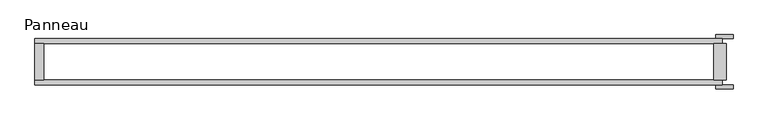
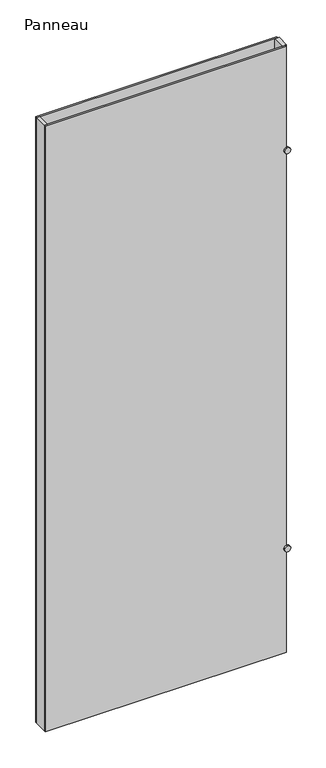
"""IFC4 building model written with IfcOpenShell, lengths in millimetres: plate geometry, Panneau."""

from ifc_helpers import new_model, si_unit, point, frame, frame_2d, origin, origin_with_axes, place, context, project, spatial, polyline, circle_curve, trimmed, segment, composite_curve, outline, extrude, source, transform, mapped, element, save


def panneau_065546e6(model_context):
    return source(origin(), model_context, "Body", "SweptSolid", [
        extrude(outline(composite_curve([segment(trimmed(circle_curve(frame_2d((500.0, 548.1250001)), 14.0), [point((500.0, 534.1250001))], [point((500.0, 562.1250001))], False, "CARTESIAN"), True, "CONTINUOUS"), segment(trimmed(circle_curve(frame_2d((500.0, 548.1250001)), 14.0), [point((500.0, 562.1250001))], [point((500.0, 534.1250001))], False, "CARTESIAN"), True, "CONTINUOUS")], self_intersect=False)), frame((0.0, 37.2, 0.0), z_axis=(0.0, 1.0, 0.0), x_axis=(0.0, 0.0, 1.0)), (0.0, 0.0, 1.0), 6.0),
        extrude(outline(composite_curve([segment(trimmed(circle_curve(frame_2d((2415.0, 548.1250001)), 14.0), [point((2415.0, 534.1250001))], [point((2415.0, 562.1250001))], False, "CARTESIAN"), True, "CONTINUOUS"), segment(trimmed(circle_curve(frame_2d((2415.0, 548.1250001)), 14.0), [point((2415.0, 562.1250001))], [point((2415.0, 534.1250001))], False, "CARTESIAN"), True, "CONTINUOUS")], self_intersect=False)), frame((0.0, 37.2, 0.0), z_axis=(0.0, 1.0, 0.0), x_axis=(0.0, 0.0, 1.0)), (0.0, 0.0, 1.0), 6.0),
        extrude(outline(composite_curve([segment(trimmed(circle_curve(frame_2d((2415.0, 548.1250001)), 14.0), [point((2415.0, 534.1250001))], [point((2415.0, 562.1250001))], False, "CARTESIAN"), True, "CONTINUOUS"), segment(trimmed(circle_curve(frame_2d((2415.0, 548.1250001)), 14.0), [point((2415.0, 562.1250001))], [point((2415.0, 534.1250001))], False, "CARTESIAN"), True, "CONTINUOUS")], self_intersect=False)), frame((0.0, -43.2, 0.0), z_axis=(0.0, 1.0, 0.0), x_axis=(0.0, 0.0, 1.0)), (0.0, 0.0, 1.0), 6.0),
        extrude(outline(composite_curve([segment(trimmed(circle_curve(frame_2d((500.0, 548.1250001)), 14.0), [point((500.0, 534.1250001))], [point((500.0, 562.1250001))], False, "CARTESIAN"), True, "CONTINUOUS"), segment(trimmed(circle_curve(frame_2d((500.0, 548.1250001)), 14.0), [point((500.0, 562.1250001))], [point((500.0, 534.1250001))], False, "CARTESIAN"), True, "CONTINUOUS")], self_intersect=False)), frame((0.0, -43.2, 0.0), z_axis=(0.0, 1.0, 0.0), x_axis=(0.0, 0.0, 1.0)), (0.0, 0.0, 1.0), 6.0),
        extrude(outline(polyline([(-537.1250001, 29.2), (-537.1250001, -29.2), (-551.1250001, -29.2), (-551.1250001, 29.2), (-537.1250001, 29.2)])), origin_with_axes(), (0.0, 0.0, 1.0), 2915.0),
        extrude(outline(polyline([(551.1250001, 29.2), (551.1250001, -29.2), (531.1250001, -29.2), (531.1250001, 29.2), (551.1250001, 29.2)])), origin_with_axes(), (0.0, 0.0, 1.0), 2915.0),
        extrude(outline(polyline([(545.1250001, 29.2), (-551.1250001, 29.2), (-551.1250001, 37.2), (545.1250001, 37.2), (545.1250001, 29.2)])), origin_with_axes(), (0.0, 0.0, 1.0), 2915.0),
        extrude(outline(polyline([(-551.1250001, -37.2), (-551.1250001, -29.2), (545.1250001, -29.2), (545.1250001, -37.2), (-551.1250001, -37.2)])), origin_with_axes(), (0.0, 0.0, 1.0), 2915.0),
    ])


if __name__ == "__main__":
    model = new_model("IFC4")
    model_context = context("Model", 3, world=origin())
    ifc_project = project(units=[si_unit("LENGTHUNIT", "METRE", prefix="MILLI")], contexts=[model_context])
    site = spatial("IfcSite", under=ifc_project)
    building = spatial("IfcBuilding", under=site)
    placement = place(None, origin())
    panneau_shape = panneau_065546e6(model_context)
    element("IfcPlate", 1, ObjectType="Panneau", at=placement, inside=building, context=model_context, shape_type="MappedRepresentation", body=[
        mapped(panneau_shape, transform((0.0, 0.0, 0.0), x_axis=(1.0, 0.0, 0.0), y_axis=(0.0, 1.0, 0.0), z_axis=(0.0, 0.0, 1.0))),
    ])
    save(model, "model.ifc")
